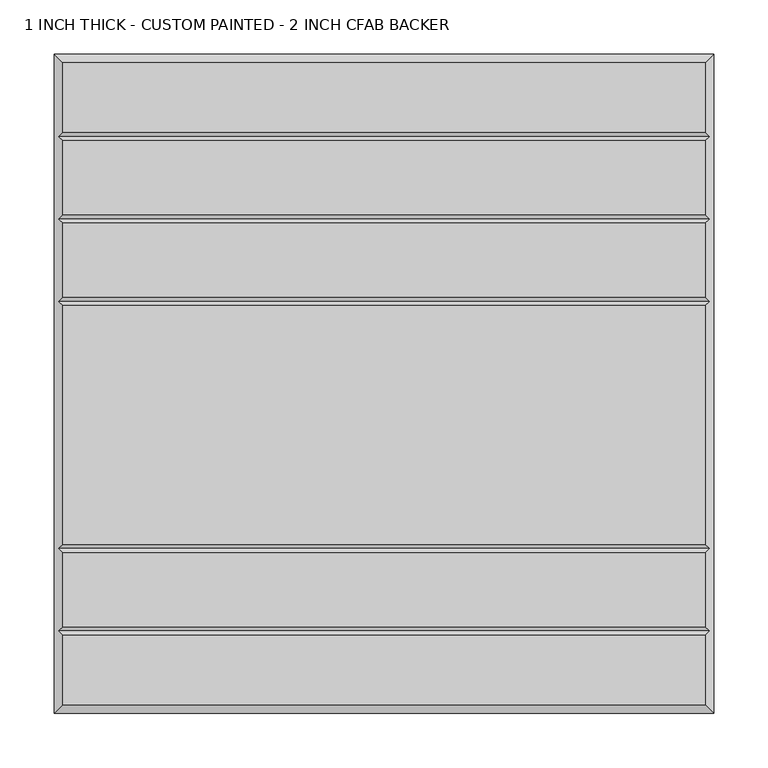
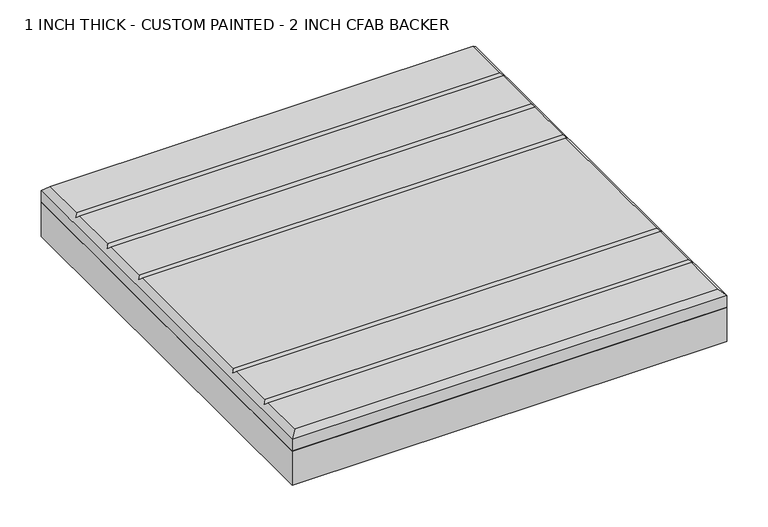
"""IFC4 building model written with IfcOpenShell, lengths in millimetres: proxy geometry, 1 INCH THICK - CUSTOM PAINTED - 2 INCH CFAB BACKER."""

from ifc_helpers import new_model, si_unit, frame, origin, place, context, project, spatial, polyline, outline, extrude, faceted_brep, source, transform, mapped, element, save


def proxy_1_inch_thick_custom_painted_2_inch_cfab_backer_231cfe76(model_context):
    return source(origin(), model_context, "Body", "SolidModel", [
        extrude(outline(polyline([(-304.8, 304.8), (304.8, 304.8), (304.8, -304.8), (-304.8, -304.8), (-304.8, 304.8)])), frame((0.0, 0.0, -50.8), z_axis=(0.0, 0.0, 1.0), x_axis=(1.0, 0.0, 0.0)), (0.0, 0.0, 1.0), 50.8),
        faceted_brep([(296.799, 296.799, 25.4), (-296.799, 296.799, 25.4), (-296.799, 232.6005, 25.4), (296.799, 232.6005, 25.4), (-296.799, -296.799, 25.4), (296.799, -296.799, 25.4), (296.799, -232.6005, 25.4), (-296.799, -232.6005, 25.4), (296.799, 148.3995, 25.4), (-296.799, 148.3995, 25.4), (-296.799, 80.2005, 25.4), (296.799, 80.2005, 25.4), (-296.799, 156.4005, 25.4), (296.799, 156.4005, 25.4), (296.799, 224.5995, 25.4), (-296.799, 224.5995, 25.4), (296.799, 72.1995, 25.4), (-296.799, 72.1995, 25.4), (-296.799, -148.3995, 25.4), (296.799, -148.3995, 25.4), (296.799, -156.4005, 25.4), (-296.799, -156.4005, 25.4), (-296.799, -224.5995, 25.4), (296.799, -224.5995, 25.4), (-304.8, 304.8, 0.0), (304.8, 304.8, 0.0), (304.8, -304.8, 0.0), (-304.8, -304.8, 0.0), (-304.8, -304.8, 17.399), (-304.8, 304.8, 17.399), (304.8, -304.8, 17.399), (304.8, 304.8, 17.399), (-300.7995, -228.6, 21.3995), (-300.7995, -152.4, 21.3995), (-300.7995, 76.2, 21.3995), (-300.7995, 152.4, 21.3995), (-300.7995, 228.6, 21.3995), (300.7995, 228.6, 21.3995), (300.7995, 152.4, 21.3995), (300.7995, 76.2, 21.3995), (300.7995, -152.4, 21.3995), (300.7995, -228.6, 21.3995)], [[[0, 1, 2, 3]], [[4, 5, 6, 7]], [[8, 9, 10, 11]], [[12, 13, 14, 15]], [[16, 17, 18, 19]], [[20, 21, 22, 23]], [[24, 25, 26, 27]], [[24, 27, 28, 29]], [[27, 26, 30, 28]], [[26, 25, 31, 30]], [[25, 24, 29, 31]], [[29, 1, 0, 31]], [[1, 29, 28, 4, 7, 32, 22, 21, 33, 18, 17, 34, 10, 9, 35, 12, 15, 36, 2]], [[4, 28, 30, 5]], [[31, 0, 3, 37, 14, 13, 38, 8, 11, 39, 16, 19, 40, 20, 23, 41, 6, 5, 30]], [[38, 35, 9, 8]], [[35, 38, 13, 12]], [[39, 34, 17, 16]], [[34, 39, 11, 10]], [[40, 33, 21, 20]], [[33, 40, 19, 18]], [[41, 32, 7, 6]], [[32, 41, 23, 22]], [[37, 36, 15, 14]], [[36, 37, 3, 2]]]),
    ])


if __name__ == "__main__":
    model = new_model("IFC4")
    model_context = context("Model", 3, world=origin())
    ifc_project = project(units=[si_unit("LENGTHUNIT", "METRE", prefix="MILLI")], contexts=[model_context])
    site = spatial("IfcSite", under=ifc_project)
    building = spatial("IfcBuilding", under=site)
    placement = place(None, origin())
    proxy_1_inch_thick_custom_painted_2_inch_cfab_backer_shape = proxy_1_inch_thick_custom_painted_2_inch_cfab_backer_231cfe76(model_context)
    element("IfcBuildingElementProxy", 1, Name="1 INCH THICK - CUSTOM PAINTED - 2 INCH CFAB BACKER", ObjectType="1 INCH THICK - CUSTOM PAINTED - 2 INCH CFAB BACKER", at=placement, inside=building, context=model_context, shape_type="MappedRepresentation", body=[
        mapped(proxy_1_inch_thick_custom_painted_2_inch_cfab_backer_shape, transform((0.0, 0.0, 0.0), x_axis=(1.0, 0.0, 0.0), y_axis=(0.0, 1.0, 0.0), z_axis=(0.0, 0.0, 1.0))),
    ])
    save(model, "model.ifc")
